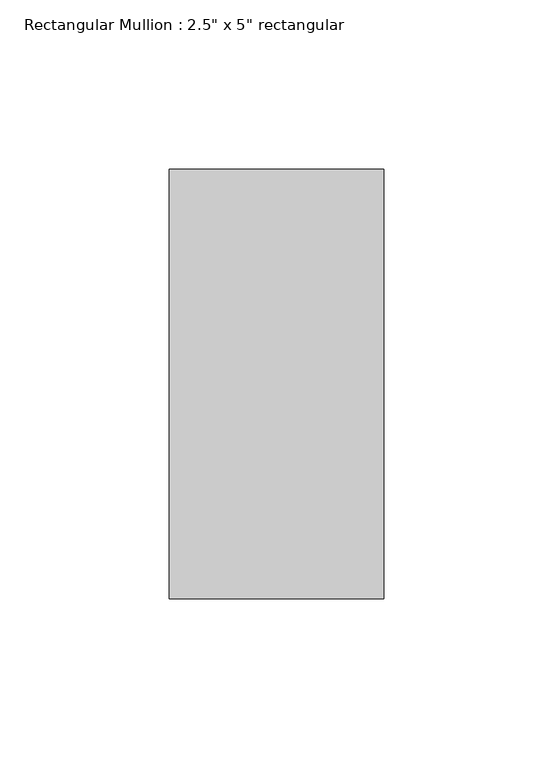
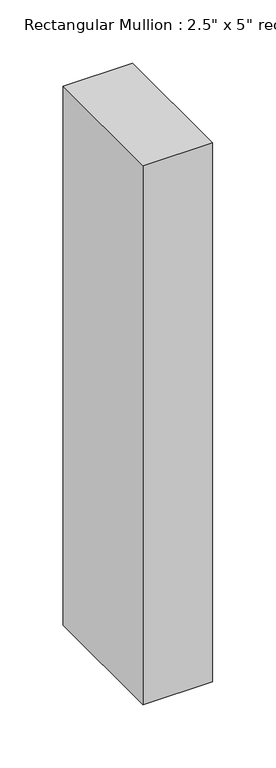
"""IFC4 building model written with IfcOpenShell, lengths in millimetres: member geometry."""

from ifc_helpers import new_model, si_unit, frame, origin, place, context, project, spatial, polyline, outline, extrude, source, transform, mapped, element, save


def member_9159db32(model_context):
    return source(origin(), model_context, "Body", "SweptSolid", [
        extrude(outline(polyline([(31.75, 63.5), (31.75, -63.5), (-31.75, -63.5), (-31.75, 63.5), (31.75, 63.5)])), frame((0.0, 0.0, -520.7), z_axis=(0.0, 0.0, 1.0), x_axis=(1.0, 0.0, 0.0)), (0.0, 0.0, 1.0), 520.7),
    ])


if __name__ == "__main__":
    model = new_model("IFC4")
    model_context = context("Model", 3, world=origin())
    ifc_project = project(units=[si_unit("LENGTHUNIT", "METRE", prefix="MILLI")], contexts=[model_context])
    site = spatial("IfcSite", under=ifc_project)
    building = spatial("IfcBuilding", under=site)
    placement = place(None, origin())
    member_shape = member_9159db32(model_context)
    element("IfcMember", 1, ObjectType="Rectangular Mullion : 2.5\" x 5\" rectangular", at=placement, inside=building, context=model_context, shape_type="MappedRepresentation", body=[
        mapped(member_shape, transform((0.0, 0.0, 0.0), x_axis=(1.0, 0.0, 0.0), y_axis=(0.0, 1.0, 0.0), z_axis=(0.0, 0.0, 1.0))),
    ])
    save(model, "model.ifc")
